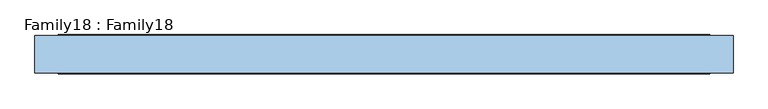
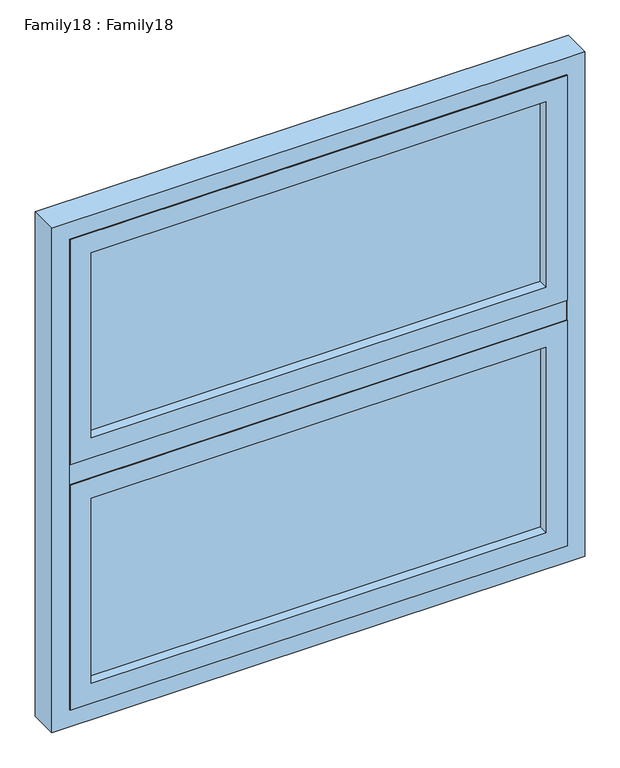
"""IFC4 building model written with IfcOpenShell, lengths in millimetres: window geometry, Family18 : Family18."""

from ifc_helpers import new_model, si_unit, frame, origin, place, context, project, spatial, polyline, outline, extrude, source, transform, mapped, element, save


def family18_family18_3875fdf9(model_context):
    return source(origin(), model_context, "Body", "SweptSolid", [
        extrude(outline(polyline([(636.0, -10.0), (636.0, -14.0), (-636.0, -14.0), (-636.0, -10.0), (636.0, -10.0)])), frame((0.0, 0.0, 909.0), z_axis=(0.0, 0.0, 1.0), x_axis=(1.0, 0.0, 0.0)), (0.0, 0.0, 1.0), 577.0),
        extrude(outline(polyline([(636.0, 14.0), (636.0, 10.0), (-636.0, 10.0), (-636.0, 14.0), (636.0, 14.0)])), frame((0.0, 0.0, 909.0), z_axis=(0.0, 0.0, 1.0), x_axis=(1.0, 0.0, 0.0)), (0.0, 0.0, 1.0), 577.0),
        extrude(outline(polyline([(1515.0, 695.0), (1515.0, -695.0), (850.0, -695.0), (850.0, 695.0), (1515.0, 695.0)]), holes=[polyline([(909.0, 636.0), (909.0, -636.0), (1456.0, -636.0), (1456.0, 636.0), (909.0, 636.0)])]), frame((0.0, -42.0, 0.0), z_axis=(0.0, 1.0, 0.0), x_axis=(0.0, 0.0, 1.0)), (0.0, 0.0, 1.0), 84.0),
        extrude(outline(polyline([(2240.0, 695.0), (2240.0, -695.0), (1575.0, -695.0), (1575.0, 695.0), (2240.0, 695.0)]), holes=[polyline([(1634.0, 636.0), (1634.0, -636.0), (2181.0, -636.0), (2181.0, 636.0), (1634.0, 636.0)])]), frame((0.0, -42.0, 0.0), z_axis=(0.0, 1.0, 0.0), x_axis=(0.0, 0.0, 1.0)), (0.0, 0.0, 1.0), 84.0),
        extrude(outline(polyline([(2290.0, 745.0), (2290.0, -745.0), (800.0, -745.0), (800.0, 745.0), (2290.0, 745.0)]), holes=[polyline([(850.0, 695.0), (850.0, -695.0), (2240.0, -695.0), (2240.0, 695.0), (850.0, 695.0)])]), frame((0.0, -40.0, 0.0), z_axis=(0.0, 1.0, 0.0), x_axis=(0.0, 0.0, 1.0)), (0.0, 0.0, 1.0), 80.0),
        extrude(outline(polyline([(636.0, -10.0), (636.0, -14.0), (-636.0, -14.0), (-636.0, -10.0), (636.0, -10.0)])), frame((0.0, 0.0, 1634.0), z_axis=(0.0, 0.0, 1.0), x_axis=(1.0, 0.0, 0.0)), (0.0, 0.0, 1.0), 547.0),
        extrude(outline(polyline([(636.0, 14.0), (636.0, 10.0), (-636.0, 10.0), (-636.0, 14.0), (636.0, 14.0)])), frame((0.0, 0.0, 1634.0), z_axis=(0.0, 0.0, 1.0), x_axis=(1.0, 0.0, 0.0)), (0.0, 0.0, 1.0), 547.0),
        extrude(outline(polyline([(695.0, -40.0), (-695.0, -40.0), (-695.0, 40.0), (695.0, 40.0), (695.0, -40.0)])), frame((0.0, 0.0, 1515.0), z_axis=(0.0, 0.0, 1.0), x_axis=(1.0, 0.0, 0.0)), (0.0, 0.0, 1.0), 60.0),
    ])


if __name__ == "__main__":
    model = new_model("IFC4")
    model_context = context("Model", 3, world=origin())
    ifc_project = project(units=[si_unit("LENGTHUNIT", "METRE", prefix="MILLI")], contexts=[model_context])
    site = spatial("IfcSite", under=ifc_project)
    building = spatial("IfcBuilding", under=site)
    placement = place(None, origin())
    family18_family18_shape = family18_family18_3875fdf9(model_context)
    element("IfcWindow", 1, ObjectType="Family18 : Family18", at=placement, inside=building, context=model_context, shape_type="MappedRepresentation", body=[
        mapped(family18_family18_shape, transform((0.0, 0.0, 0.0), x_axis=(1.0, 0.0, 0.0), y_axis=(0.0, 1.0, 0.0), z_axis=(0.0, 0.0, 1.0))),
    ])
    save(model, "model.ifc")
